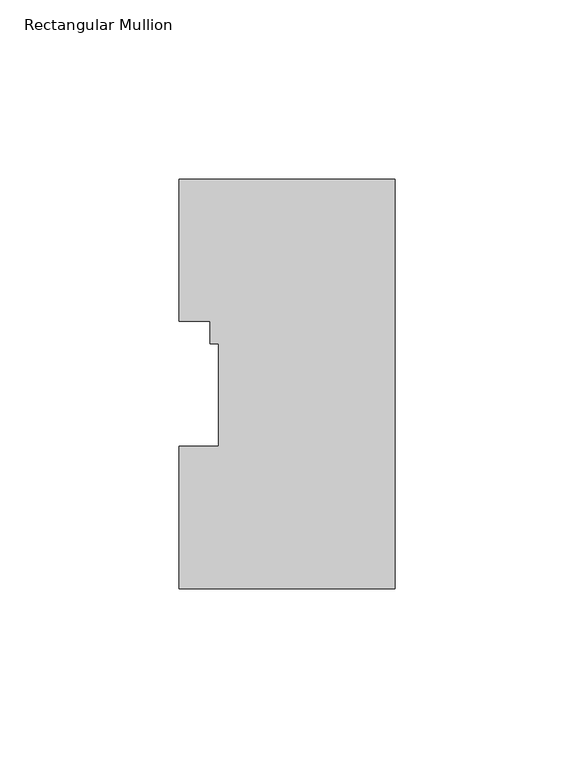
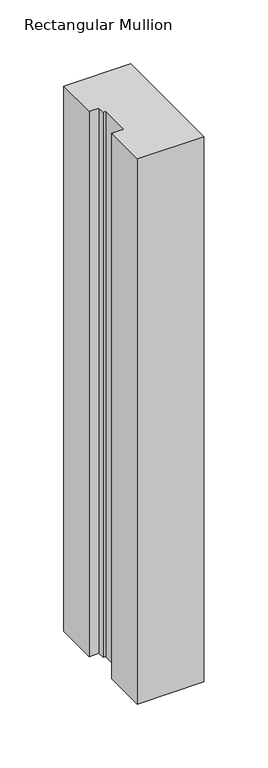
"""IFC4 building model written with IfcOpenShell, lengths in millimetres: member geometry, Rectangular Mullion."""

import ifcopenshell
import ifcopenshell.guid

model = None  # the IFC model being written
_history = None  # IfcOwnerHistory: only IFC2X3 demands one
_inside = {}  # id of a spatial element -> (the spatial element, [elements in it])
_under = {}  # id of a project, library or spatial element -> (it, [spatial elements below it])
_declared = {}  # id of a project -> (the project, [libraries it declares])
_typed = {}  # id of a type object -> (the type object, [elements of that type])
_made_of = {}  # id of a material, layer set ... -> (it, [elements and type objects made of it])


def new_model(schema):
    """Start an empty IFC model of exactly this schema.

    Asked for "IFC4X3", IfcOpenShell would pick the latest addendum, in which some entities
    have other attributes; the version numbers below select the first issue.
    IFC2X3 requires an IfcOwnerHistory on every rooted entity: one is made here for all.
    """
    global model, _history
    if schema == "IFC4X3":
        model = ifcopenshell.file(schema_version=(4, 3, 0, 0))
    else:
        model = ifcopenshell.file(schema=schema)
    _inside.clear()
    _under.clear()
    _declared.clear()
    _typed.clear()
    _made_of.clear()
    _history = None
    if model.schema == "IFC2X3":
        org = make("IfcOrganization", Name="unknown")
        user = make(
            "IfcPersonAndOrganization",
            ThePerson=make("IfcPerson", FamilyName="unknown"),
            TheOrganization=org,
        )
        app = make(
            "IfcApplication",
            ApplicationDeveloper=org,
            Version="unknown",
            ApplicationFullName="unknown",
            ApplicationIdentifier="unknown",
        )
        _history = make(
            "IfcOwnerHistory",
            OwningUser=user,
            OwningApplication=app,
            ChangeAction="ADDED",
            CreationDate=0,
        )
    return model


def make(cls, **values):
    """One entity of the class cls with the attributes given. An attribute that is None is left unset."""
    return model.create_entity(
        cls, **{name: value for name, value in values.items() if value is not None}
    )


def rooted(cls, **values):
    """An entity with a GlobalId (a new one), such as an element, a storey or a relation."""
    return make(cls, GlobalId=ifcopenshell.guid.new(), OwnerHistory=_history, **values)


def si_unit(unit_type, name, prefix=None):
    """IfcSIUnit, for example si_unit("LENGTHUNIT", "METRE", prefix="MILLI")."""
    return make("IfcSIUnit", UnitType=unit_type, Prefix=prefix, Name=name)


def assignment(units):
    """IfcUnitAssignment: the units of a project."""
    return None if units is None else make("IfcUnitAssignment", Units=units)


def point(xyz):
    """IfcCartesianPoint."""
    return None if xyz is None else make("IfcCartesianPoint", Coordinates=xyz)


def direction(xyz):
    """IfcDirection."""
    return None if xyz is None else make("IfcDirection", DirectionRatios=xyz)


def frame(location, z_axis=None, x_axis=None):
    """IfcAxis2Placement3D, a coordinate frame: its origin and axes. An axis left out is left unset."""
    return make(
        "IfcAxis2Placement3D",
        Location=point(location),
        Axis=direction(z_axis),
        RefDirection=direction(x_axis),
    )


def origin():
    """The frame at (0, 0, 0) with its axes left unset."""
    return frame((0.0, 0.0, 0.0))


def place(relative_to, where):
    """IfcLocalPlacement: puts the frame where relative to a parent placement (None: the world)."""
    return make(
        "IfcLocalPlacement", PlacementRelTo=relative_to, RelativePlacement=where
    )


def context(
    kind, dimensions, precision=None, world=None, true_north=None, identifier=None
):
    """IfcGeometricRepresentationContext, for example the 3D "Model" context."""
    return make(
        "IfcGeometricRepresentationContext",
        ContextIdentifier=identifier,
        ContextType=kind,
        CoordinateSpaceDimension=dimensions,
        Precision=precision,
        WorldCoordinateSystem=world,
        TrueNorth=true_north,
    )


def project(units=None, contexts=None):
    """IfcProject with its units and contexts."""
    return rooted(
        "IfcProject",
        Name="project",
        RepresentationContexts=contexts,
        UnitsInContext=assignment(units),
    )


def spatial(cls, under=None, at=None, **own):
    """A site, building, storey or space (cls), placed at a placement, below another one or the project."""
    s = rooted(cls, ObjectPlacement=at, **own)
    if under is not None:
        _under.setdefault(under.id(), (under, []))[1].append(s)
    return s


def polyline(points):
    """IfcPolyline through the points."""
    return make("IfcPolyline", Points=[point(p) for p in points])


def outline(outer, holes=None, kind="AREA"):
    """IfcArbitraryClosedProfileDef: a profile drawn as a closed curve; with holes, ...WithVoids."""
    if holes is None:
        return make("IfcArbitraryClosedProfileDef", ProfileType=kind, OuterCurve=outer)
    return make(
        "IfcArbitraryProfileDefWithVoids",
        ProfileType=kind,
        OuterCurve=outer,
        InnerCurves=holes,
    )


def extrude(swept, where, along, depth):
    """IfcExtrudedAreaSolid: the profile swept, set in the frame where, extruded along a direction by depth."""
    return make(
        "IfcExtrudedAreaSolid",
        SweptArea=swept,
        Position=where,
        ExtrudedDirection=direction(along),
        Depth=depth,
    )


def shape(context_of_items, identifier, shape_type, items):
    """IfcShapeRepresentation: the items that make up one representation, for example the "Body"."""
    return make(
        "IfcShapeRepresentation",
        ContextOfItems=context_of_items,
        RepresentationIdentifier=identifier,
        RepresentationType=shape_type,
        Items=items,
    )


def source(mapping_origin, context_of_items, identifier, shape_type, items):
    """IfcRepresentationMap: a shape defined once, which mapped items show again and again."""
    return make(
        "IfcRepresentationMap",
        MappingOrigin=mapping_origin,
        MappedRepresentation=shape(context_of_items, identifier, shape_type, items),
    )


def transform(
    local_origin,
    x_axis=None,
    y_axis=None,
    z_axis=None,
    scale=None,
    scale2=None,
    scale3=None,
    uniform=True,
):
    """IfcCartesianTransformationOperator3D, or its non-uniform kind. x_axis, y_axis, z_axis: its Axis1, 2, 3."""
    if uniform:
        return make(
            "IfcCartesianTransformationOperator3D",
            Axis1=direction(x_axis),
            Axis2=direction(y_axis),
            LocalOrigin=point(local_origin),
            Scale=scale,
            Axis3=direction(z_axis),
        )
    return make(
        "IfcCartesianTransformationOperator3DnonUniform",
        Axis1=direction(x_axis),
        Axis2=direction(y_axis),
        LocalOrigin=point(local_origin),
        Scale=scale,
        Axis3=direction(z_axis),
        Scale2=scale2,
        Scale3=scale3,
    )


def mapped(mapping_source, mapping_target):
    """IfcMappedItem: shows the shape of a source again, moved by a transform."""
    return make(
        "IfcMappedItem", MappingSource=mapping_source, MappingTarget=mapping_target
    )


def made_of(thing, what):
    """Note that an element or type object is made of a material, layer set ...; save() writes the relation."""
    if what is not None:
        _made_of.setdefault(what.id(), (what, []))[1].append(thing)
    return thing


def element(
    cls,
    number,
    at=None,
    inside=None,
    cuts=None,
    type_object=None,
    material=None,
    context=None,
    identifier="Body",
    shape_type=None,
    held_by="IfcProductDefinitionShape",
    body=None,
    shapes=None,
    **own,
):
    """One element of the class cls, such as IfcWall. Its Tag is "e" and its number.

    at: its placement. inside: the storey or other place that contains it. cuts: it is an
    opening in that element (IfcRelVoidsElement). A single representation is given by context,
    identifier, shape_type and body (its items); several are given by shapes. held_by: the class
    of the entity that holds the representations. save() writes the other relations.
    """
    e = rooted(cls, Tag="e%d" % number, ObjectPlacement=at, **own)
    if body is not None:
        shapes = [shape(context, identifier, shape_type, body)]
    if shapes is not None:
        e.Representation = make(held_by, Representations=shapes)
    if inside is not None:
        _inside.setdefault(inside.id(), (inside, []))[1].append(e)
    if cuts is not None:
        rooted(
            "IfcRelVoidsElement", RelatingBuildingElement=cuts, RelatedOpeningElement=e
        )
    if type_object is not None:
        _typed.setdefault(type_object.id(), (type_object, []))[1].append(e)
    return made_of(e, material)


def aggregate(whole, parts):
    """IfcRelAggregates: a whole, such as a stair, and the parts it consists of."""
    return rooted("IfcRelAggregates", RelatingObject=whole, RelatedObjects=parts)


def save(model, path):
    """Write the relations noted so far, then the file.

    IfcRelAggregates (storeys below a building ...), IfcRelContainedInSpatialStructure (elements
    in a storey), IfcRelDefinesByType, IfcRelAssociatesMaterial and IfcRelDeclares: one each for
    every whole, place, type object, material and project.
    """
    for whole, parts in _under.values():
        aggregate(whole, parts)
    for where, things in _inside.values():
        rooted(
            "IfcRelContainedInSpatialStructure",
            RelatedElements=things,
            RelatingStructure=where,
        )
    for kind, things in _typed.values():
        rooted("IfcRelDefinesByType", RelatedObjects=things, RelatingType=kind)
    for what, things in _made_of.values():
        rooted("IfcRelAssociatesMaterial", RelatedObjects=things, RelatingMaterial=what)
    for by, libraries in _declared.values():
        rooted("IfcRelDeclares", RelatingContext=by, RelatedDefinitions=libraries)
    model.write(path)


def rectangular_mullion_615f08f7(model_context):
    return source(origin(), model_context, "Body", "SweptSolid", [
        extrude(outline(polyline([(0.0, 114.271425), (0.0, -0.028575), (-60.325, -0.028575), (-60.325, 39.646225), (-49.2125, 39.646225), (-49.2125, 68.246625), (-51.5874, 68.246625), (-51.5874, 74.596625), (-60.325, 74.596625), (-60.325, 114.271425), (0.0, 114.271425)])), frame((0.0, 0.0, -520.7), z_axis=(0.0, 0.0, 1.0), x_axis=(1.0, 0.0, 0.0)), (0.0, 0.0, 1.0), 520.7),
    ])


if __name__ == "__main__":
    model = new_model("IFC4")
    model_context = context("Model", 3, world=origin())
    ifc_project = project(units=[si_unit("LENGTHUNIT", "METRE", prefix="MILLI")], contexts=[model_context])
    site = spatial("IfcSite", under=ifc_project)
    building = spatial("IfcBuilding", under=site)
    placement = place(None, origin())
    rectangular_mullion_shape = rectangular_mullion_615f08f7(model_context)
    element("IfcMember", 1, ObjectType="Rectangular Mullion", at=placement, inside=building, context=model_context, shape_type="MappedRepresentation", body=[
        mapped(rectangular_mullion_shape, transform((0.0, 0.0, 0.0), x_axis=(1.0, 0.0, 0.0), y_axis=(0.0, 1.0, 0.0), z_axis=(0.0, 0.0, 1.0))),
    ])
    save(model, "model.ifc")
